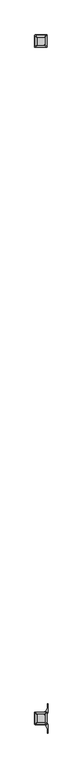
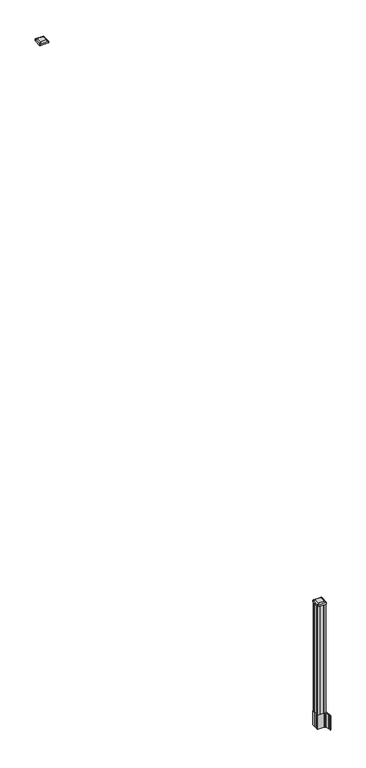
"""IFC4 building model written with IfcOpenShell, lengths in millimetres: railing geometry."""

from ifc_helpers import new_model, si_unit, point, frame, frame_2d, origin, place, context, project, spatial, polyline, circle_curve, trimmed, segment, composite_curve, outline, extrude, source, transform, mapped, element, save
from ifc_brep_helpers import plane_surface, extruded_surface, advanced_brep


def railing_672abf89(model_context):
    return source(origin(), model_context, "Body", "SolidModel", [
        advanced_brep(
        [(10081.0626478, -82569.2327203, 4476.715513), (10084.2376478, -82566.0577203, 4476.715513), (10084.2376478, -82514.4639703, 4476.715513), (10081.0626478, -82511.2889703, 4476.715513), (10029.4688978, -82511.2889703, 4476.715513), (10026.2938978, -82514.4639703, 4476.715513), (10026.2938978, -82566.0577203, 4476.715513), (10029.4688978, -82569.2327203, 4476.715513), (10097.3345228, -82585.5045953, 4465.412513), (10013.1970228, -82585.5045953, 4465.412513), (10010.0220228, -82582.3295953, 4465.412513), (10010.0220228, -82498.1920953, 4465.412513), (10013.1970228, -82495.0170953, 4465.412513), (10097.3345228, -82495.0170953, 4465.412513), (10100.5095228, -82498.1920953, 4465.412513), (10100.5095228, -82582.3295953, 4465.412513)],
        [
            (0, 1, circle_curve(frame((10081.0626478, -82566.0577203, 4476.715513), z_axis=(0.0, 0.0, 1.0), x_axis=(0.0, 1.0, 0.0)), 3.175)),
            (1, 2),
            (2, 3, circle_curve(frame((10081.0626478, -82514.4639703, 4476.715513), z_axis=(0.0, 0.0, 1.0), x_axis=(0.0, 1.0, 0.0)), 3.175)),
            (3, 4),
            (4, 5, circle_curve(frame((10029.4688978, -82514.4639703, 4476.715513), z_axis=(0.0, 0.0, 1.0), x_axis=(0.0, 1.0, 0.0)), 3.175)),
            (5, 6),
            (6, 7, circle_curve(frame((10029.4688978, -82566.0577203, 4476.715513), z_axis=(0.0, 0.0, 1.0), x_axis=(0.0, 1.0, 0.0)), 3.175)),
            (7, 0),
            (8, 9),
            (9, 10, circle_curve(frame((10013.1970228, -82582.3295953, 4465.412513), z_axis=(0.0, 0.0, -1.0), x_axis=(0.0, 1.0, 0.0)), 3.175)),
            (10, 11),
            (11, 12, circle_curve(frame((10013.1970228, -82498.1920953, 4465.412513), z_axis=(0.0, 0.0, -1.0), x_axis=(0.0, 1.0, 0.0)), 3.175)),
            (12, 13),
            (13, 14, circle_curve(frame((10097.3345228, -82498.1920953, 4465.412513), z_axis=(0.0, 0.0, -1.0), x_axis=(0.0, 1.0, 0.0)), 3.175)),
            (14, 15),
            (15, 8, circle_curve(frame((10097.3345228, -82582.3295953, 4465.412513), z_axis=(0.0, 0.0, -1.0), x_axis=(0.0, 1.0, 0.0)), 3.175)),
            (15, 1),
            (0, 8),
            (14, 2),
            (13, 3),
            (12, 4),
            (11, 5),
            (10, 6),
            (9, 7),
        ],
        [
            plane_surface(frame((10055.2657728, -82540.2608453, 4476.715513), z_axis=(0.0, 0.0, 1.0), x_axis=(1.0, 0.0, 0.0))),
            plane_surface(frame((10055.2657728, -82540.2608453, 4465.412513), z_axis=(0.0, 0.0, -1.0), x_axis=(1.0, 0.0, 0.0))),
            extruded_surface(trimmed(circle_curve(frame((10097.3345228, -82582.3295953, 4465.412513), z_axis=(0.0, 0.0, 1.0), x_axis=(0.0, 1.0, 0.0)), 3.175), [point((10097.3345228, -82585.5045953, 4465.412513))], [point((10100.5095228, -82582.3295953, 4465.412513))], True, "CARTESIAN"), (-16.271875000000364, 16.27187500000582, 11.302999999999884), 25.637972638870036),
            plane_surface(frame((10100.5095228, -82540.2608453, 4465.412513), z_axis=(0.5705009161540685, 0.0, 0.8212969649690474), x_axis=(0.0, 1.0, 0.0))),
            extruded_surface(trimmed(circle_curve(frame((10097.3345228, -82498.1920953, 4465.412513), z_axis=(0.0, 0.0, 1.0), x_axis=(0.0, 1.0, 0.0)), 3.175), [point((10100.5095228, -82498.1920953, 4465.412513))], [point((10097.3345228, -82495.0170953, 4465.412513))], True, "CARTESIAN"), (-16.271875000000364, -16.27187500000582, 11.302999999999884), 25.637972638870036),
            plane_surface(frame((10055.2657728, -82495.0170953, 4465.412513), z_axis=(0.0, 0.5705009161540291, 0.8212969649690747), x_axis=(-1.0, 0.0, 0.0))),
            extruded_surface(trimmed(circle_curve(frame((10013.1970228, -82498.1920953, 4465.412513), z_axis=(0.0, 0.0, 1.0), x_axis=(0.0, 1.0, 0.0)), 3.175), [point((10013.1970228, -82495.0170953, 4465.412513))], [point((10010.0220228, -82498.1920953, 4465.412513))], True, "CARTESIAN"), (16.271875000000364, -16.27187500000582, 11.302999999999884), 25.637972638870036),
            plane_surface(frame((10010.0220228, -82540.2608453, 4465.412513), z_axis=(-0.5705009161540235, 0.0, 0.8212969649690786), x_axis=(0.0, -1.0, 0.0))),
            extruded_surface(trimmed(circle_curve(frame((10013.1970228, -82582.3295953, 4465.412513), z_axis=(0.0, 0.0, 1.0), x_axis=(0.0, 1.0, 0.0)), 3.175), [point((10010.0220228, -82582.3295953, 4465.412513))], [point((10013.1970228, -82585.5045953, 4465.412513))], True, "CARTESIAN"), (16.271875000000364, 16.27187500000582, 11.302999999999884), 25.637972638870036),
            plane_surface(frame((10055.2657728, -82585.5045953, 4465.412513), z_axis=(0.0, -0.570500916154034, 0.8212969649690713), x_axis=(1.0, 0.0, 0.0))),
        ],
        [
            (0, [[1, 2, 3, 4, 5, 6, 7, 8]]),
            (1, [[9, 10, 11, 12, 13, 14, 15, 16]]),
            (2, [[-16, 17, -1, 18]]),
            (3, [[-15, 19, -2, -17]]),
            (4, [[-14, 20, -3, -19]]),
            (5, [[-13, 21, -4, -20]]),
            (6, [[-12, 22, -5, -21]]),
            (7, [[-11, 23, -6, -22]]),
            (8, [[-10, 24, -7, -23]]),
            (9, [[-9, -18, -8, -24]]),
        ],
    ),
        extrude(outline(composite_curve([segment(polyline([(10097.3345228, -82585.5045953), (10013.1970228, -82585.5045953)]), True, "CONTINUOUS"), segment(trimmed(circle_curve(frame_2d((10013.1970228, -82582.3295953)), 3.175), [point((10013.1970228, -82585.5045953))], [point((10010.0220228, -82582.3295953))], False, "CARTESIAN"), True, "CONTINUOUS"), segment(polyline([(10010.0220228, -82582.3295953), (10010.0220228, -82498.1920953)]), True, "CONTINUOUS"), segment(trimmed(circle_curve(frame_2d((10013.1970228, -82498.1920953)), 3.175), [point((10010.0220228, -82498.1920953))], [point((10013.1970228, -82495.0170953))], False, "CARTESIAN"), True, "CONTINUOUS"), segment(polyline([(10013.1970228, -82495.0170953), (10097.3345228, -82495.0170953)]), True, "CONTINUOUS"), segment(trimmed(circle_curve(frame_2d((10097.3345228, -82498.1920953)), 3.175), [point((10097.3345228, -82495.0170953))], [point((10100.5095228, -82498.1920953))], False, "CARTESIAN"), True, "CONTINUOUS"), segment(polyline([(10100.5095228, -82498.1920953), (10100.5095228, -82582.3295953)]), True, "CONTINUOUS"), segment(trimmed(circle_curve(frame_2d((10097.3345228, -82582.3295953)), 3.175), [point((10100.5095228, -82582.3295953))], [point((10097.3345228, -82585.5045953))], False, "CARTESIAN"), True, "CONTINUOUS")], self_intersect=False)), frame((0.0, 0.0, 4448.140513), z_axis=(0.0, 0.0, 1.0), x_axis=(1.0, 0.0, 0.0)), (0.0, 0.0, 1.0), 17.272),
        extrude(outline(composite_curve([segment(polyline([(10012.5302728, -87517.2509401), (10012.5302728, -87482.4787504), (10010.9427728, -87481.7167504), (10010.9427728, -87458.9148224), (10014.3157498, -87455.5418453), (10075.7754206, -87455.5418453), (10075.7754206, -87454.6210953), (10081.0929645, -87454.6210953), (10081.0929645, -87453.1668406), (10086.1774942, -87453.1668406), (10086.1774942, -87451.8828168), (10087.8447665, -87451.8828168)]), True, "CONTINUOUS"), segment(trimmed(circle_curve(frame_2d((10087.8447665, -87444.8233569)), 7.0594599), [point((10087.8447665, -87451.8828168))], [point((10094.6120293, -87446.8333636))], True, "CARTESIAN"), True, "CONTINUOUS"), segment(polyline([(10094.6120293, -87446.8333636), (10102.4862236, -87420.3226345)]), True, "CONTINUOUS"), segment(trimmed(circle_curve(frame_2d((10047.7017103, -87404.0505848)), 57.15), [point((10102.4862236, -87420.3226345))], [point((10104.8517103, -87404.0505848))], True, "CARTESIAN"), True, "CONTINUOUS"), segment(polyline([(10104.8517103, -87404.0505848), (10104.8517103, -87392.0418453), (10107.8517103, -87392.0418453), (10107.8517103, -87457.1293453), (10099.5887728, -87468.4676366), (10099.5887728, -87481.7167504), (10098.0012728, -87482.4787504), (10098.0012728, -87517.2509401), (10099.5887728, -87518.0129401), (10099.5887728, -87531.262054), (10107.8517103, -87542.6003453), (10107.8517103, -87607.6878453), (10104.8517103, -87607.6878453), (10104.8517103, -87595.6791057)]), True, "CONTINUOUS"), segment(trimmed(circle_curve(frame_2d((10047.7017103, -87595.6791057)), 57.15), [point((10104.8517103, -87595.6791057))], [point((10102.4862236, -87579.4070561))], True, "CARTESIAN"), True, "CONTINUOUS"), segment(polyline([(10102.4862236, -87579.4070561), (10094.6120293, -87552.896327)]), True, "CONTINUOUS"), segment(trimmed(circle_curve(frame_2d((10087.8447665, -87554.9063337)), 7.0594599), [point((10094.6120293, -87552.896327))], [point((10087.8447665, -87547.8468738))], True, "CARTESIAN"), True, "CONTINUOUS"), segment(polyline([(10087.8447665, -87547.8468738), (10086.1774942, -87547.8468738), (10086.1774942, -87546.56285), (10081.0929645, -87546.56285), (10081.0929645, -87545.1085953), (10075.7754206, -87545.1085953), (10075.7754206, -87544.1878453), (10014.3157498, -87544.1878453), (10010.9427728, -87540.8148682), (10010.9427728, -87518.0129401), (10012.5302728, -87517.2509401)]), True, "CONTINUOUS")], self_intersect=False), holes=[polyline([(10096.5407728, -87460.1773453), (10094.9532728, -87458.5898453), (10058.0289902, -87458.5898453), (10015.5782728, -87458.5898453), (10013.9907728, -87460.1773453), (10013.9907728, -87539.5523453), (10015.5782728, -87541.1398453), (10058.0289902, -87541.1398453), (10094.9532728, -87541.1398453), (10096.5407728, -87539.5523453), (10096.5407728, -87460.1773453)])]), frame((0.0, 0.0, 12.22375), z_axis=(0.0, 0.0, 1.0), x_axis=(1.0, 0.0, 0.0)), (0.0, 0.0, 1.0), 152.4),
        advanced_brep(
        [(10081.0626478, -87528.8367203, 1376.963013), (10084.2376478, -87525.6617203, 1376.963013), (10084.2376478, -87474.0679703, 1376.963013), (10081.0626478, -87470.8929703, 1376.963013), (10029.4688978, -87470.8929703, 1376.963013), (10026.2938978, -87474.0679703, 1376.963013), (10026.2938978, -87525.6617203, 1376.963013), (10029.4688978, -87528.8367203, 1376.963013), (10097.3345228, -87545.1085953, 1365.660013), (10013.1970228, -87545.1085953, 1365.660013), (10010.0220228, -87541.9335953, 1365.660013), (10010.0220228, -87457.7960953, 1365.660013), (10013.1970228, -87454.6210953, 1365.660013), (10097.3345228, -87454.6210953, 1365.660013), (10100.5095228, -87457.7960953, 1365.660013), (10100.5095228, -87541.9335953, 1365.660013)],
        [
            (0, 1, circle_curve(frame((10081.0626478, -87525.6617203, 1376.963013), z_axis=(0.0, 0.0, 1.0), x_axis=(0.0, 1.0, 0.0)), 3.175)),
            (1, 2),
            (2, 3, circle_curve(frame((10081.0626478, -87474.0679703, 1376.963013), z_axis=(0.0, 0.0, 1.0), x_axis=(0.0, 1.0, 0.0)), 3.175)),
            (3, 4),
            (4, 5, circle_curve(frame((10029.4688978, -87474.0679703, 1376.963013), z_axis=(0.0, 0.0, 1.0), x_axis=(0.0, 1.0, 0.0)), 3.175)),
            (5, 6),
            (6, 7, circle_curve(frame((10029.4688978, -87525.6617203, 1376.963013), z_axis=(0.0, 0.0, 1.0), x_axis=(0.0, 1.0, 0.0)), 3.175)),
            (7, 0),
            (8, 9),
            (9, 10, circle_curve(frame((10013.1970228, -87541.9335953, 1365.660013), z_axis=(0.0, 0.0, -1.0), x_axis=(0.0, 1.0, 0.0)), 3.175)),
            (10, 11),
            (11, 12, circle_curve(frame((10013.1970228, -87457.7960953, 1365.660013), z_axis=(0.0, 0.0, -1.0), x_axis=(0.0, 1.0, 0.0)), 3.175)),
            (12, 13),
            (13, 14, circle_curve(frame((10097.3345228, -87457.7960953, 1365.660013), z_axis=(0.0, 0.0, -1.0), x_axis=(0.0, 1.0, 0.0)), 3.175)),
            (14, 15),
            (15, 8, circle_curve(frame((10097.3345228, -87541.9335953, 1365.660013), z_axis=(0.0, 0.0, -1.0), x_axis=(0.0, 1.0, 0.0)), 3.175)),
            (15, 1),
            (0, 8),
            (14, 2),
            (13, 3),
            (12, 4),
            (11, 5),
            (10, 6),
            (9, 7),
        ],
        [
            plane_surface(frame((10055.2657728, -87499.8648453, 1376.963013), z_axis=(0.0, 0.0, 1.0), x_axis=(1.0, 0.0, 0.0))),
            plane_surface(frame((10055.2657728, -87499.8648453, 1365.660013), z_axis=(0.0, 0.0, -1.0), x_axis=(1.0, 0.0, 0.0))),
            extruded_surface(trimmed(circle_curve(frame((10097.3345228, -87541.9335953, 1365.660013), z_axis=(0.0, 0.0, 1.0), x_axis=(0.0, 1.0, 0.0)), 3.175), [point((10097.3345228, -87545.1085953, 1365.660013))], [point((10100.5095228, -87541.9335953, 1365.660013))], True, "CARTESIAN"), (-16.271875000000364, 16.27187499999127, 11.303000000000111), 25.6379726388609),
            plane_surface(frame((10100.5095228, -87499.8648453, 1365.660013), z_axis=(0.5705009161540778, 0.0, 0.8212969649690408), x_axis=(0.0, 1.0, 0.0))),
            extruded_surface(trimmed(circle_curve(frame((10097.3345228, -87457.7960953, 1365.660013), z_axis=(0.0, 0.0, 1.0), x_axis=(0.0, 1.0, 0.0)), 3.175), [point((10100.5095228, -87457.7960953, 1365.660013))], [point((10097.3345228, -87454.6210953, 1365.660013))], True, "CARTESIAN"), (-16.271875000000364, -16.27187500000582, 11.303000000000111), 25.63797263887014),
            plane_surface(frame((10055.2657728, -87454.6210953, 1365.660013), z_axis=(0.0, 0.5705009161540291, 0.8212969649690747), x_axis=(-1.0, 0.0, 0.0))),
            extruded_surface(trimmed(circle_curve(frame((10013.1970228, -87457.7960953, 1365.660013), z_axis=(0.0, 0.0, 1.0), x_axis=(0.0, 1.0, 0.0)), 3.175), [point((10013.1970228, -87454.6210953, 1365.660013))], [point((10010.0220228, -87457.7960953, 1365.660013))], True, "CARTESIAN"), (16.271875000000364, -16.27187500000582, 11.303000000000111), 25.63797263887014),
            plane_surface(frame((10010.0220228, -87499.8648453, 1365.660013), z_axis=(-0.5705009161540142, 0.0, 0.8212969649690851), x_axis=(0.0, -1.0, 0.0))),
            extruded_surface(trimmed(circle_curve(frame((10013.1970228, -87541.9335953, 1365.660013), z_axis=(0.0, 0.0, 1.0), x_axis=(0.0, 1.0, 0.0)), 3.175), [point((10010.0220228, -87541.9335953, 1365.660013))], [point((10013.1970228, -87545.1085953, 1365.660013))], True, "CARTESIAN"), (16.271875000000364, 16.27187499999127, 11.303000000000111), 25.6379726388609),
            plane_surface(frame((10055.2657728, -87545.1085953, 1365.660013), z_axis=(0.0, -0.570500916154034, 0.8212969649690713), x_axis=(1.0, 0.0, 0.0))),
        ],
        [
            (0, [[1, 2, 3, 4, 5, 6, 7, 8]]),
            (1, [[9, 10, 11, 12, 13, 14, 15, 16]]),
            (2, [[-16, 17, -1, 18]]),
            (3, [[-15, 19, -2, -17]]),
            (4, [[-14, 20, -3, -19]]),
            (5, [[-13, 21, -4, -20]]),
            (6, [[-12, 22, -5, -21]]),
            (7, [[-11, 23, -6, -22]]),
            (8, [[-10, 24, -7, -23]]),
            (9, [[-9, -18, -8, -24]]),
        ],
    ),
        extrude(outline(composite_curve([segment(polyline([(10097.3345228, -87545.1085953), (10013.1970228, -87545.1085953)]), True, "CONTINUOUS"), segment(trimmed(circle_curve(frame_2d((10013.1970228, -87541.9335953)), 3.175), [point((10013.1970228, -87545.1085953))], [point((10010.0220228, -87541.9335953))], False, "CARTESIAN"), True, "CONTINUOUS"), segment(polyline([(10010.0220228, -87541.9335953), (10010.0220228, -87457.7960953)]), True, "CONTINUOUS"), segment(trimmed(circle_curve(frame_2d((10013.1970228, -87457.7960953)), 3.175), [point((10010.0220228, -87457.7960953))], [point((10013.1970228, -87454.6210953))], False, "CARTESIAN"), True, "CONTINUOUS"), segment(polyline([(10013.1970228, -87454.6210953), (10097.3345228, -87454.6210953)]), True, "CONTINUOUS"), segment(trimmed(circle_curve(frame_2d((10097.3345228, -87457.7960953)), 3.175), [point((10097.3345228, -87454.6210953))], [point((10100.5095228, -87457.7960953))], False, "CARTESIAN"), True, "CONTINUOUS"), segment(polyline([(10100.5095228, -87457.7960953), (10100.5095228, -87541.9335953)]), True, "CONTINUOUS"), segment(trimmed(circle_curve(frame_2d((10097.3345228, -87541.9335953)), 3.175), [point((10100.5095228, -87541.9335953))], [point((10097.3345228, -87545.1085953))], False, "CARTESIAN"), True, "CONTINUOUS")], self_intersect=False)), frame((0.0, 0.0, 1348.388013), z_axis=(0.0, 0.0, 1.0), x_axis=(1.0, 0.0, 0.0)), (0.0, 0.0, 1.0), 17.272),
        extrude(outline(polyline([(10094.9532728, -87541.1398453), (10075.3317728, -87541.1398453), (10074.5697728, -87539.5523453), (10035.9617728, -87539.5523453), (10035.1997728, -87541.1398453), (10015.5782728, -87541.1398453), (10013.9907728, -87539.5523453), (10013.9907728, -87519.9308453), (10015.5782728, -87519.1688453), (10015.5782728, -87480.5608453), (10013.9907728, -87479.7988453), (10013.9907728, -87460.1773453), (10015.5782728, -87458.5898453), (10035.1997728, -87458.5898453), (10035.9617728, -87460.1773453), (10074.5697728, -87460.1773453), (10075.3317728, -87458.5898453), (10094.9532728, -87458.5898453), (10096.5407728, -87460.1773453), (10096.5407728, -87479.7988453), (10094.9532728, -87480.5608453), (10094.9532728, -87519.1688453), (10096.5407728, -87519.9308453), (10096.5407728, -87539.5523453), (10094.9532728, -87541.1398453)])), frame((0.0, 0.0, 164.62375), z_axis=(0.0, 0.0, 1.0), x_axis=(1.0, 0.0, 0.0)), (0.0, 0.0, 1.0), 1183.764263),
    ])


if __name__ == "__main__":
    model = new_model("IFC4")
    model_context = context("Model", 3, world=origin())
    ifc_project = project(units=[si_unit("LENGTHUNIT", "METRE", prefix="MILLI")], contexts=[model_context])
    site = spatial("IfcSite", under=ifc_project)
    building = spatial("IfcBuilding", under=site)
    placement = place(None, origin())
    railing_shape = railing_672abf89(model_context)
    element("IfcRailing", 1, at=placement, inside=building, context=model_context, shape_type="MappedRepresentation", body=[
        mapped(railing_shape, transform((0.0, 0.0, 0.0), x_axis=(1.0, 0.0, 0.0), y_axis=(0.0, 1.0, 0.0), z_axis=(0.0, 0.0, 1.0))),
    ])
    save(model, "model.ifc")
